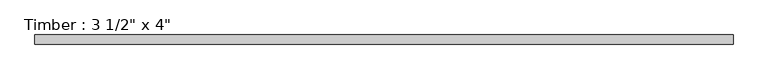
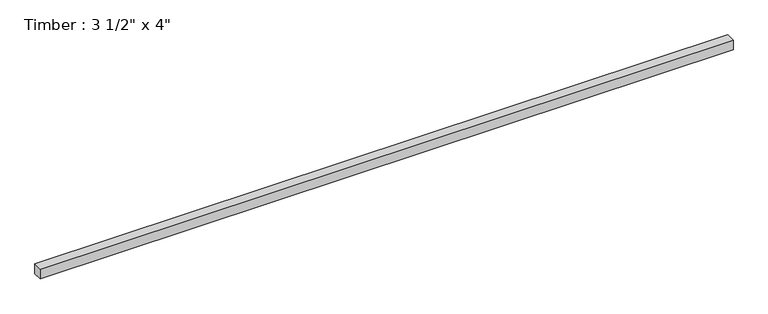
"""IFC4 building model written with IfcOpenShell, lengths in millimetres: beam geometry."""

from ifc_helpers import new_model, si_unit, frame, origin, place, context, project, spatial, polyline, outline, extrude, source, transform, mapped, element, save


def beam_72f5b0f4(model_context):
    return source(origin(), model_context, "Body", "SweptSolid", [
        extrude(outline(polyline([(3379.3640075, 44.45), (3379.3640075, -44.45), (-3383.4794004, -44.45), (-3383.4794004, 44.45), (3379.3640075, 44.45)])), frame((0.0, 0.0, -50.8), z_axis=(0.0, 0.0, 1.0), x_axis=(1.0, 0.0, 0.0)), (0.0, 0.0, 1.0), 101.6),
    ])


if __name__ == "__main__":
    model = new_model("IFC4")
    model_context = context("Model", 3, world=origin())
    ifc_project = project(units=[si_unit("LENGTHUNIT", "METRE", prefix="MILLI")], contexts=[model_context])
    site = spatial("IfcSite", under=ifc_project)
    building = spatial("IfcBuilding", under=site)
    placement = place(None, origin())
    beam_shape = beam_72f5b0f4(model_context)
    element("IfcBeam", 1, ObjectType="Timber : 3 1/2\" x 4\"", at=placement, inside=building, context=model_context, shape_type="MappedRepresentation", body=[
        mapped(beam_shape, transform((0.0, 0.0, 0.0), x_axis=(1.0, 0.0, 0.0), y_axis=(0.0, 1.0, 0.0), z_axis=(0.0, 0.0, 1.0))),
    ])
    save(model, "model.ifc")
